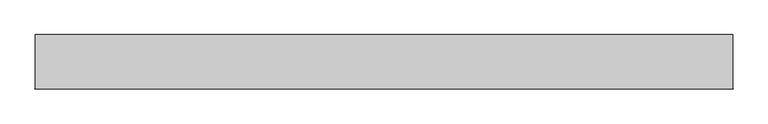
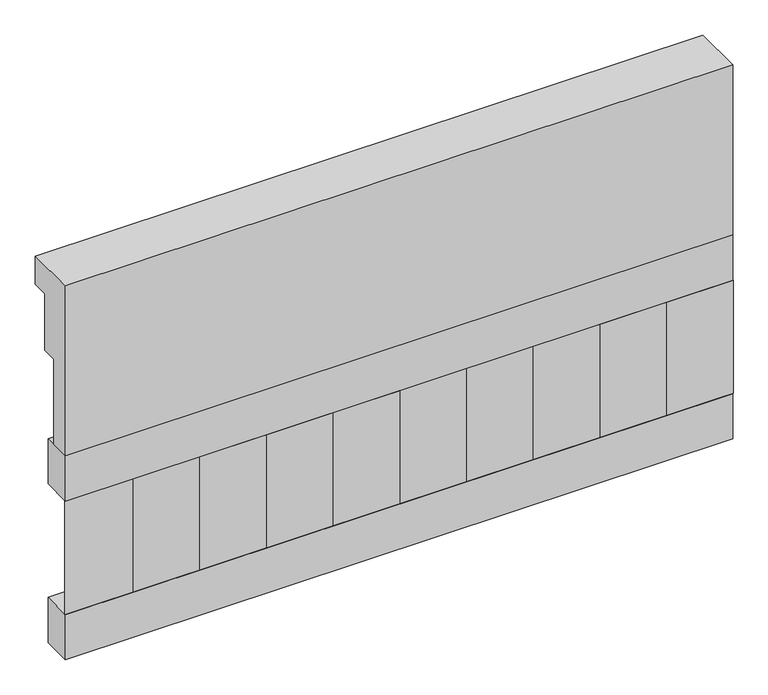
"""IFC4 building model written with IfcOpenShell, lengths in millimetres: railing geometry."""

from ifc_helpers import new_model, si_unit, frame, origin, place, context, project, spatial, polyline, outline, extrude, source, transform, mapped, element, save


def railing_77fd42db(model_context):
    return source(origin(), model_context, "Body", "SweptSolid", [
        extrude(outline(polyline([(903.1079487, 15200.0), (1033.1079487, 15200.0), (1033.1079487, 15125.0), (993.1079487, 15125.0), (993.1079487, 14975.0), (953.1079487, 14975.0), (953.1079487, 14750.0), (903.1079487, 14750.0), (903.1079487, 15200.0)])), frame((-2009.9887159, 0.0, 0.0), z_axis=(1.0, 0.0, 0.0), x_axis=(0.0, 1.0, 0.0)), (0.0, 0.0, 1.0), 1670.0),
        extrude(outline(polyline([(-339.9887159, 978.1079487), (-339.9887159, 903.1079487), (-2009.9887159, 903.1079487), (-2009.9887159, 978.1079487), (-339.9887159, 978.1079487)])), frame((0.0, 0.0, 14630.0), z_axis=(0.0, 0.0, 1.0), x_axis=(1.0, 0.0, 0.0)), (0.0, 0.0, 1.0), 120.0),
        extrude(outline(polyline([(-339.9887159, 978.1079487), (-339.9887159, 903.1079487), (-2009.9887159, 903.1079487), (-2009.9887159, 978.1079487), (-339.9887159, 978.1079487)])), frame((0.0, 0.0, 14210.0), z_axis=(0.0, 0.0, 1.0), x_axis=(1.0, 0.0, 0.0)), (0.0, 0.0, 1.0), 120.0),
        extrude(outline(polyline([(-1926.4887159, 987.9607624), (-1841.6359022, 903.1079487), (-2011.3415296, 903.1079487), (-1926.4887159, 987.9607624)])), frame((0.0, 0.0, 14330.0), z_axis=(0.0, 0.0, 1.0), x_axis=(1.0, 0.0, 0.0)), (0.0, 0.0, 1.0), 300.0),
        extrude(outline(polyline([(-1759.4887159, 987.9607624), (-1674.6359022, 903.1079487), (-1844.3415296, 903.1079487), (-1759.4887159, 987.9607624)])), frame((0.0, 0.0, 14330.0), z_axis=(0.0, 0.0, 1.0), x_axis=(1.0, 0.0, 0.0)), (0.0, 0.0, 1.0), 300.0),
        extrude(outline(polyline([(-1592.4887159, 987.9607624), (-1507.6359022, 903.1079487), (-1677.3415296, 903.1079487), (-1592.4887159, 987.9607624)])), frame((0.0, 0.0, 14330.0), z_axis=(0.0, 0.0, 1.0), x_axis=(1.0, 0.0, 0.0)), (0.0, 0.0, 1.0), 300.0),
        extrude(outline(polyline([(-1425.4887159, 987.9607624), (-1340.6359022, 903.1079487), (-1510.3415296, 903.1079487), (-1425.4887159, 987.9607624)])), frame((0.0, 0.0, 14330.0), z_axis=(0.0, 0.0, 1.0), x_axis=(1.0, 0.0, 0.0)), (0.0, 0.0, 1.0), 300.0),
        extrude(outline(polyline([(-1258.4887159, 987.9607624), (-1173.6359022, 903.1079487), (-1343.3415296, 903.1079487), (-1258.4887159, 987.9607624)])), frame((0.0, 0.0, 14330.0), z_axis=(0.0, 0.0, 1.0), x_axis=(1.0, 0.0, 0.0)), (0.0, 0.0, 1.0), 300.0),
        extrude(outline(polyline([(-1091.4887159, 987.9607624), (-1006.6359022, 903.1079487), (-1176.3415296, 903.1079487), (-1091.4887159, 987.9607624)])), frame((0.0, 0.0, 14330.0), z_axis=(0.0, 0.0, 1.0), x_axis=(1.0, 0.0, 0.0)), (0.0, 0.0, 1.0), 300.0),
        extrude(outline(polyline([(-924.4887159, 987.9607624), (-839.6359022, 903.1079487), (-1009.3415296, 903.1079487), (-924.4887159, 987.9607624)])), frame((0.0, 0.0, 14330.0), z_axis=(0.0, 0.0, 1.0), x_axis=(1.0, 0.0, 0.0)), (0.0, 0.0, 1.0), 300.0),
        extrude(outline(polyline([(-757.4887159, 987.9607624), (-672.6359022, 903.1079487), (-842.3415296, 903.1079487), (-757.4887159, 987.9607624)])), frame((0.0, 0.0, 14330.0), z_axis=(0.0, 0.0, 1.0), x_axis=(1.0, 0.0, 0.0)), (0.0, 0.0, 1.0), 300.0),
        extrude(outline(polyline([(-590.4887159, 987.9607624), (-505.6359022, 903.1079487), (-675.3415296, 903.1079487), (-590.4887159, 987.9607624)])), frame((0.0, 0.0, 14330.0), z_axis=(0.0, 0.0, 1.0), x_axis=(1.0, 0.0, 0.0)), (0.0, 0.0, 1.0), 300.0),
        extrude(outline(polyline([(-423.4887159, 987.9607624), (-338.6359022, 903.1079487), (-508.3415296, 903.1079487), (-423.4887159, 987.9607624)])), frame((0.0, 0.0, 14330.0), z_axis=(0.0, 0.0, 1.0), x_axis=(1.0, 0.0, 0.0)), (0.0, 0.0, 1.0), 300.0),
    ])


if __name__ == "__main__":
    model = new_model("IFC4")
    model_context = context("Model", 3, world=origin())
    ifc_project = project(units=[si_unit("LENGTHUNIT", "METRE", prefix="MILLI")], contexts=[model_context])
    site = spatial("IfcSite", under=ifc_project)
    building = spatial("IfcBuilding", under=site)
    placement = place(None, origin())
    railing_shape = railing_77fd42db(model_context)
    element("IfcRailing", 1, at=placement, inside=building, context=model_context, shape_type="MappedRepresentation", body=[
        mapped(railing_shape, transform((0.0, 0.0, 0.0), x_axis=(1.0, 0.0, 0.0), y_axis=(0.0, 1.0, 0.0), z_axis=(0.0, 0.0, 1.0))),
    ])
    save(model, "model.ifc")
